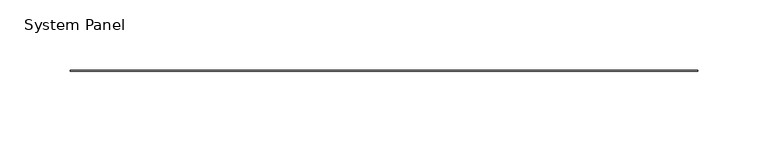
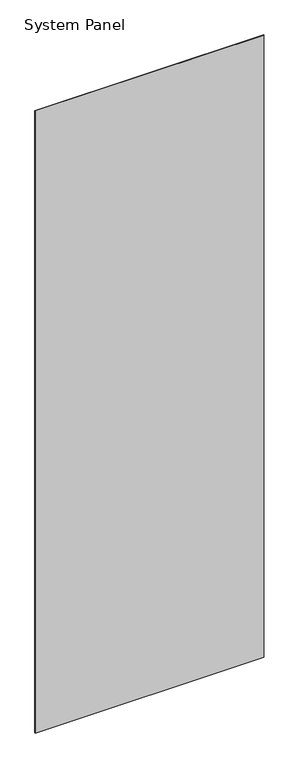
"""IFC4 building model written with IfcOpenShell, lengths in millimetres: plate geometry, System Panel."""

from ifc_helpers import new_model, si_unit, origin, origin_with_axes, place, context, project, spatial, polyline, outline, extrude, source, transform, mapped, element, save


def system_panel_f56ee37b(model_context):
    return source(origin(), model_context, "Body", "SweptSolid", [
        extrude(outline(polyline([(223.5200002, -0.2976563), (-223.5200002, -0.2976563), (-223.5200002, 0.2976563), (223.5200002, 0.2976563), (223.5200002, -0.2976563)])), origin_with_axes(), (0.0, 0.0, 1.0), 1285.875),
    ])


if __name__ == "__main__":
    model = new_model("IFC4")
    model_context = context("Model", 3, world=origin())
    ifc_project = project(units=[si_unit("LENGTHUNIT", "METRE", prefix="MILLI")], contexts=[model_context])
    site = spatial("IfcSite", under=ifc_project)
    building = spatial("IfcBuilding", under=site)
    placement = place(None, origin())
    system_panel_shape = system_panel_f56ee37b(model_context)
    element("IfcPlate", 1, ObjectType="System Panel", at=placement, inside=building, context=model_context, shape_type="MappedRepresentation", body=[
        mapped(system_panel_shape, transform((0.0, 0.0, 0.0), x_axis=(1.0, 0.0, 0.0), y_axis=(0.0, 1.0, 0.0), z_axis=(0.0, 0.0, 1.0))),
    ])
    save(model, "model.ifc")
